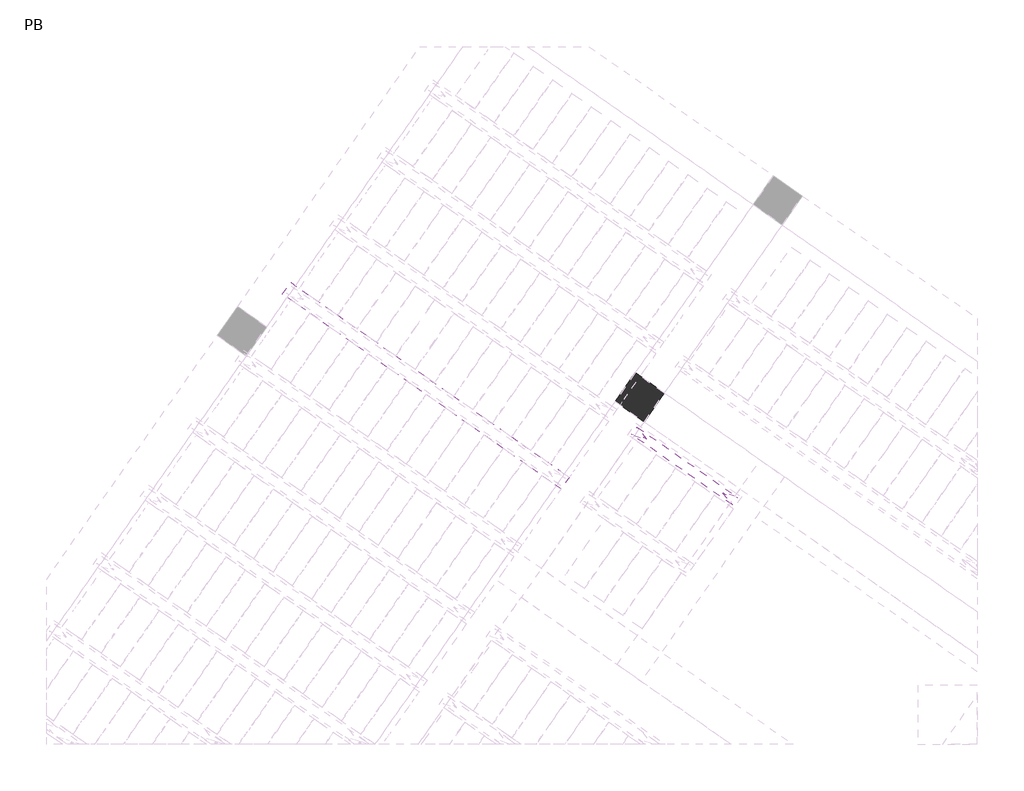
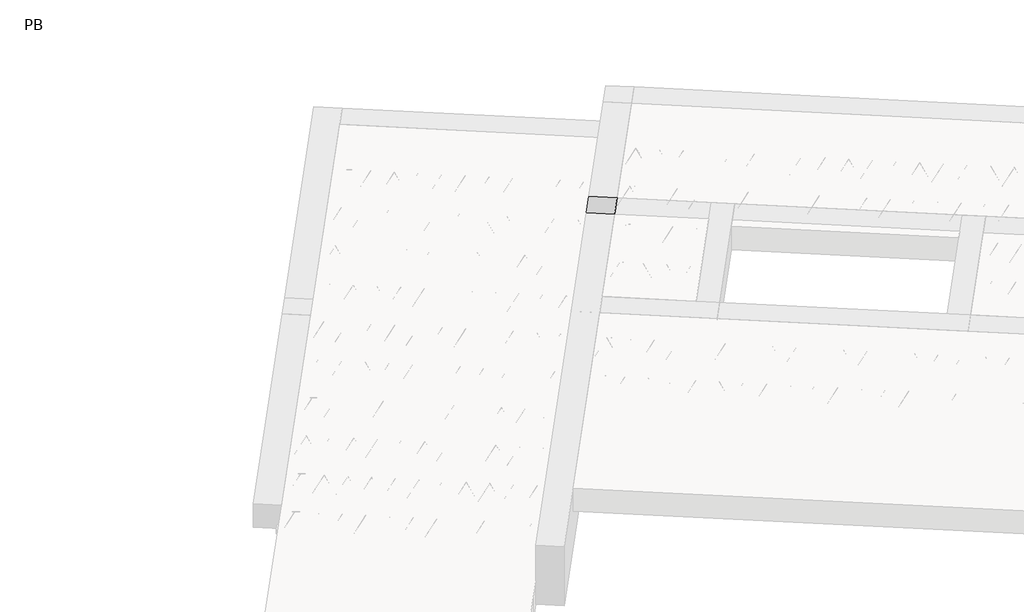
# One storey, part 41 of 56: 3 beams, 1 column.
"""IFC4 building model written with IfcOpenShell, lengths in millimetres."""

from ifc_helpers import new_model, si_unit, point, frame, origin, origin_2d, place, context, project, spatial, polyline, circle_curve, trimmed, segment, composite_curve, outline, extrude, element, save

model = new_model("IFC4")

# Units and contexts
model_context = context("Model", 3, world=origin())
ifc_project = project(units=[si_unit("LENGTHUNIT", "METRE", prefix="MILLI")], contexts=[model_context])

# Site, building, storey
site = spatial("IfcSite", under=ifc_project)
building = spatial("IfcBuilding", under=site)
storey = spatial("IfcBuildingStorey", under=building, Name="PB", Elevation=95940.0)

# Beams
placement = place(None, origin())
element("IfcBeam", 1, at=placement, inside=storey, context=model_context, shape_type="SweptSolid", body=[
    extrude(outline(polyline([(2800.6463897, 8403.6870499), (2869.475562, 8501.9852952), (5232.259621, 6847.5460859), (5163.4304487, 6749.2478406), (2800.6463897, 8403.6870499)])), frame((0.0, 0.0, 98760.0), z_axis=(0.0, 0.0, 1.0), x_axis=(1.0, 0.0, 0.0)), (0.0, 0.0, 1.0), 50.0),
    extrude(outline(composite_curve([segment(trimmed(circle_curve(origin_2d(), 2.5), [point((-2.5, 0.0))], [point((2.5, 0.0))], False, "CARTESIAN"), True, "CONTINUOUS"), segment(trimmed(circle_curve(origin_2d(), 2.5), [point((2.5, 0.0))], [point((-2.5, 0.0))], False, "CARTESIAN"), True, "CONTINUOUS")], self_intersect=False)), frame((5157.5366341, 6782.6733241, 98785.0), z_axis=(-0.8191520442696126, 0.5735764363787226, 0.0), x_axis=(0.5735764363787226, 0.8191520442696126, 0.0)), (0.0, 0.0, 1.0), 2836.426738),
    extrude(outline(composite_curve([segment(trimmed(circle_curve(origin_2d(), 2.5), [point((-2.5, 0.0))], [point((2.5, 0.0))], False, "CARTESIAN"), True, "CONTINUOUS"), segment(trimmed(circle_curve(origin_2d(), 2.5), [point((2.5, 0.0))], [point((-2.5, 0.0))], False, "CARTESIAN"), True, "CONTINUOUS")], self_intersect=False)), frame((5081.3506627, 6879.9672007, 99010.0), z_axis=(-0.8191520442696126, 0.5735764363787226, 0.0), x_axis=(0.5735764363787226, 0.8191520442696126, 0.0)), (0.0, 0.0, 1.0), 2600.0),
    extrude(outline(composite_curve([segment(trimmed(circle_curve(origin_2d(), 2.5), [point((-2.5, 0.0))], [point((2.5, 0.0))], False, "CARTESIAN"), True, "CONTINUOUS"), segment(trimmed(circle_curve(origin_2d(), 2.5), [point((2.5, 0.0))], [point((-2.5, 0.0))], False, "CARTESIAN"), True, "CONTINUOUS")], self_intersect=False)), frame((5122.1383143, 6807.4594944, 98785.0), z_axis=(-0.3145304735701046, 0.38933448886848654, 0.8657304643902053), x_axis=(0.7778747638402499, 0.6284193279813057, 0.0)), (0.0, 0.0, 1.0), 259.8961331),
    extrude(outline(composite_curve([segment(trimmed(circle_curve(origin_2d(), 2.5), [point((2.5, 0.0))], [point((-2.5, 0.0))], False, "CARTESIAN"), True, "CONTINUOUS"), segment(trimmed(circle_curve(origin_2d(), 2.5), [point((-2.5, 0.0))], [point((2.5, 0.0))], False, "CARTESIAN"), True, "CONTINUOUS")], self_intersect=False)), frame((4917.3503033, 6950.8536035, 98785.0), z_axis=(0.47343050384693375, -0.16240172737369005, 0.8657304643902051), x_axis=(-0.3244721671091268, -0.9458952440791246, 0.0)), (0.0, 0.0, 1.0), 259.8961331),
    extrude(outline(composite_curve([segment(trimmed(circle_curve(origin_2d(), 2.5), [point((-2.5, 0.0))], [point((2.5, 0.0))], False, "CARTESIAN"), True, "CONTINUOUS"), segment(trimmed(circle_curve(origin_2d(), 2.5), [point((2.5, 0.0))], [point((-2.5, 0.0))], False, "CARTESIAN"), True, "CONTINUOUS")], self_intersect=False)), frame((4917.3503033, 6950.8536035, 98785.0), z_axis=(-0.3145304735701046, 0.38933448886848654, 0.8657304643902053), x_axis=(0.7778747638402499, 0.6284193279813057, 0.0)), (0.0, 0.0, 1.0), 259.8961331),
    extrude(outline(composite_curve([segment(trimmed(circle_curve(origin_2d(), 2.5), [point((2.5, 0.0))], [point((-2.5, 0.0))], False, "CARTESIAN"), True, "CONTINUOUS"), segment(trimmed(circle_curve(origin_2d(), 2.5), [point((-2.5, 0.0))], [point((2.5, 0.0))], False, "CARTESIAN"), True, "CONTINUOUS")], self_intersect=False)), frame((4712.5622922, 7094.2477126, 98785.0), z_axis=(0.47343050384693375, -0.16240172737369005, 0.8657304643902051), x_axis=(-0.3244721671091268, -0.9458952440791246, 0.0)), (0.0, 0.0, 1.0), 259.8961331),
    extrude(outline(composite_curve([segment(trimmed(circle_curve(origin_2d(), 2.5), [point((-2.5, 0.0))], [point((2.5, 0.0))], False, "CARTESIAN"), True, "CONTINUOUS"), segment(trimmed(circle_curve(origin_2d(), 2.5), [point((2.5, 0.0))], [point((-2.5, 0.0))], False, "CARTESIAN"), True, "CONTINUOUS")], self_intersect=False)), frame((4712.5622922, 7094.2477126, 98785.0), z_axis=(-0.3145304735701046, 0.38933448886848654, 0.8657304643902053), x_axis=(0.7778747638402499, 0.6284193279813057, 0.0)), (0.0, 0.0, 1.0), 259.8961331),
    extrude(outline(composite_curve([segment(trimmed(circle_curve(origin_2d(), 2.5), [point((2.5, 0.0))], [point((-2.5, 1e-07))], False, "CARTESIAN"), True, "CONTINUOUS"), segment(trimmed(circle_curve(origin_2d(), 2.5), [point((-2.5, 1e-07))], [point((2.5, 0.0))], False, "CARTESIAN"), True, "CONTINUOUS")], self_intersect=False)), frame((4507.7742811, 7237.6418217, 98785.0), z_axis=(0.47343050384693375, -0.16240172737369005, 0.8657304643902051), x_axis=(-0.3244721671091268, -0.9458952440791246, 0.0)), (0.0, 0.0, 1.0), 259.8961331),
    extrude(outline(composite_curve([segment(trimmed(circle_curve(origin_2d(), 2.5), [point((-2.5, 0.0))], [point((2.5000001, -1e-07))], False, "CARTESIAN"), True, "CONTINUOUS"), segment(trimmed(circle_curve(origin_2d(), 2.5), [point((2.5000001, -1e-07))], [point((-2.5, 0.0))], False, "CARTESIAN"), True, "CONTINUOUS")], self_intersect=False)), frame((4507.7742811, 7237.6418217, 98785.0), z_axis=(-0.3145304735701046, 0.38933448886848654, 0.8657304643902053), x_axis=(0.7778747638402499, 0.6284193279813057, 0.0)), (0.0, 0.0, 1.0), 259.8961331),
    extrude(outline(composite_curve([segment(trimmed(circle_curve(origin_2d(), 2.5), [point((2.5, 0.0))], [point((-2.5, 0.0))], False, "CARTESIAN"), True, "CONTINUOUS"), segment(trimmed(circle_curve(origin_2d(), 2.5), [point((-2.5, 0.0))], [point((2.5, 0.0))], False, "CARTESIAN"), True, "CONTINUOUS")], self_intersect=False)), frame((4302.9862701, 7381.0359308, 98785.0), z_axis=(0.47343050384693375, -0.16240172737369005, 0.8657304643902051), x_axis=(-0.3244721671091268, -0.9458952440791246, 0.0)), (0.0, 0.0, 1.0), 259.8961331),
    extrude(outline(composite_curve([segment(trimmed(circle_curve(origin_2d(), 2.5), [point((-2.5, -1e-07))], [point((2.5, 0.0))], False, "CARTESIAN"), True, "CONTINUOUS"), segment(trimmed(circle_curve(origin_2d(), 2.5), [point((2.5, 0.0))], [point((-2.5, -1e-07))], False, "CARTESIAN"), True, "CONTINUOUS")], self_intersect=False)), frame((4302.9862702, 7381.0359307, 98785.0), z_axis=(-0.3145304735701046, 0.38933448886848654, 0.8657304643902053), x_axis=(0.7778747638402499, 0.6284193279813057, 0.0)), (0.0, 0.0, 1.0), 259.8961331),
    extrude(outline(composite_curve([segment(trimmed(circle_curve(origin_2d(), 2.5), [point((2.5000001, 0.0))], [point((-2.5, 0.0))], False, "CARTESIAN"), True, "CONTINUOUS"), segment(trimmed(circle_curve(origin_2d(), 2.5), [point((-2.5, 0.0))], [point((2.5000001, 0.0))], False, "CARTESIAN"), True, "CONTINUOUS")], self_intersect=False)), frame((4098.1982592, 7524.4300398, 98785.0), z_axis=(0.47343050384693375, -0.16240172737369005, 0.8657304643902051), x_axis=(-0.3244721671091268, -0.9458952440791246, 0.0)), (0.0, 0.0, 1.0), 259.8961331),
    extrude(outline(composite_curve([segment(trimmed(circle_curve(origin_2d(), 2.5), [point((-2.5, -1e-07))], [point((2.5, 0.0))], False, "CARTESIAN"), True, "CONTINUOUS"), segment(trimmed(circle_curve(origin_2d(), 2.5), [point((2.5, 0.0))], [point((-2.5, -1e-07))], False, "CARTESIAN"), True, "CONTINUOUS")], self_intersect=False)), frame((4098.1982592, 7524.4300398, 98785.0), z_axis=(-0.3145304735701046, 0.38933448886848654, 0.8657304643902053), x_axis=(0.7778747638402499, 0.6284193279813057, 0.0)), (0.0, 0.0, 1.0), 259.8961331),
    extrude(outline(composite_curve([segment(trimmed(circle_curve(origin_2d(), 2.5), [point((2.5000001, 0.0))], [point((-2.5, 0.0))], False, "CARTESIAN"), True, "CONTINUOUS"), segment(trimmed(circle_curve(origin_2d(), 2.5), [point((-2.5, 0.0))], [point((2.5000001, 0.0))], False, "CARTESIAN"), True, "CONTINUOUS")], self_intersect=False)), frame((3893.4102481, 7667.8241489, 98785.0), z_axis=(0.47343050384693375, -0.16240172737369005, 0.8657304643902051), x_axis=(-0.3244721671091268, -0.9458952440791246, 0.0)), (0.0, 0.0, 1.0), 259.8961331),
    extrude(outline(composite_curve([segment(trimmed(circle_curve(origin_2d(), 2.5), [point((-2.5, -1e-07))], [point((2.5, 0.0))], False, "CARTESIAN"), True, "CONTINUOUS"), segment(trimmed(circle_curve(origin_2d(), 2.5), [point((2.5, 0.0))], [point((-2.5, -1e-07))], False, "CARTESIAN"), True, "CONTINUOUS")], self_intersect=False)), frame((3893.4102481, 7667.8241489, 98785.0), z_axis=(-0.3145304735701046, 0.38933448886848654, 0.8657304643902053), x_axis=(0.7778747638402499, 0.6284193279813057, 0.0)), (0.0, 0.0, 1.0), 259.8961331),
    extrude(outline(composite_curve([segment(trimmed(circle_curve(origin_2d(), 2.5), [point((2.5, 0.0))], [point((-2.5000001, 0.0))], False, "CARTESIAN"), True, "CONTINUOUS"), segment(trimmed(circle_curve(origin_2d(), 2.5), [point((-2.5000001, 0.0))], [point((2.5, 0.0))], False, "CARTESIAN"), True, "CONTINUOUS")], self_intersect=False)), frame((3688.622237, 7811.2182579, 98785.0), z_axis=(0.47343050384693375, -0.16240172737369005, 0.8657304643902051), x_axis=(-0.3244721671091268, -0.9458952440791246, 0.0)), (0.0, 0.0, 1.0), 259.8961331),
    extrude(outline(composite_curve([segment(trimmed(circle_curve(origin_2d(), 2.5), [point((-2.5, 0.0))], [point((2.5, 1e-07))], False, "CARTESIAN"), True, "CONTINUOUS"), segment(trimmed(circle_curve(origin_2d(), 2.5), [point((2.5, 1e-07))], [point((-2.5, 0.0))], False, "CARTESIAN"), True, "CONTINUOUS")], self_intersect=False)), frame((3688.622237, 7811.2182579, 98785.0), z_axis=(-0.3145304735701046, 0.38933448886848654, 0.8657304643902053), x_axis=(0.7778747638402499, 0.6284193279813057, 0.0)), (0.0, 0.0, 1.0), 259.8961331),
    extrude(outline(composite_curve([segment(trimmed(circle_curve(origin_2d(), 2.5), [point((2.5, 0.0))], [point((-2.5000001, 0.0))], False, "CARTESIAN"), True, "CONTINUOUS"), segment(trimmed(circle_curve(origin_2d(), 2.5), [point((-2.5000001, 0.0))], [point((2.5, 0.0))], False, "CARTESIAN"), True, "CONTINUOUS")], self_intersect=False)), frame((3483.834226, 7954.612367, 98785.0), z_axis=(0.47343050384693375, -0.16240172737369005, 0.8657304643902051), x_axis=(-0.3244721671091268, -0.9458952440791246, 0.0)), (0.0, 0.0, 1.0), 259.8961331),
    extrude(outline(composite_curve([segment(trimmed(circle_curve(origin_2d(), 2.5), [point((-2.5, 0.0))], [point((2.5, 1e-07))], False, "CARTESIAN"), True, "CONTINUOUS"), segment(trimmed(circle_curve(origin_2d(), 2.5), [point((2.5, 1e-07))], [point((-2.5, 0.0))], False, "CARTESIAN"), True, "CONTINUOUS")], self_intersect=False)), frame((3483.834226, 7954.612367, 98785.0), z_axis=(-0.3145304735701046, 0.38933448886848654, 0.8657304643902053), x_axis=(0.7778747638402499, 0.6284193279813057, 0.0)), (0.0, 0.0, 1.0), 259.8961331),
    extrude(outline(composite_curve([segment(trimmed(circle_curve(origin_2d(), 2.5), [point((2.5, 0.0))], [point((-2.5, 0.0))], False, "CARTESIAN"), True, "CONTINUOUS"), segment(trimmed(circle_curve(origin_2d(), 2.5), [point((-2.5, 0.0))], [point((2.5, 0.0))], False, "CARTESIAN"), True, "CONTINUOUS")], self_intersect=False)), frame((3279.0462149, 8098.0064761, 98785.0), z_axis=(0.47343050384693375, -0.16240172737369005, 0.8657304643902051), x_axis=(-0.3244721671091268, -0.9458952440791246, 0.0)), (0.0, 0.0, 1.0), 259.8961331),
    extrude(outline(composite_curve([segment(trimmed(circle_curve(origin_2d(), 2.5), [point((-2.5, 0.0))], [point((2.5, 1e-07))], False, "CARTESIAN"), True, "CONTINUOUS"), segment(trimmed(circle_curve(origin_2d(), 2.5), [point((2.5, 1e-07))], [point((-2.5, 0.0))], False, "CARTESIAN"), True, "CONTINUOUS")], self_intersect=False)), frame((3279.0462149, 8098.0064761, 98785.0), z_axis=(-0.3145304735701046, 0.38933448886848654, 0.8657304643902053), x_axis=(0.7778747638402499, 0.6284193279813057, 0.0)), (0.0, 0.0, 1.0), 259.8961331),
    extrude(outline(composite_curve([segment(trimmed(circle_curve(origin_2d(), 2.5), [point((2.5, 0.0))], [point((-2.5, 1e-07))], False, "CARTESIAN"), True, "CONTINUOUS"), segment(trimmed(circle_curve(origin_2d(), 2.5), [point((-2.5, 1e-07))], [point((2.5, 0.0))], False, "CARTESIAN"), True, "CONTINUOUS")], self_intersect=False)), frame((3074.2582038, 8241.4005852, 98785.0), z_axis=(0.47343050384693375, -0.16240172737369005, 0.8657304643902051), x_axis=(-0.3244721671091268, -0.9458952440791246, 0.0)), (0.0, 0.0, 1.0), 259.8961331),
    extrude(outline(composite_curve([segment(trimmed(circle_curve(origin_2d(), 2.5), [point((-2.5, 0.0))], [point((2.5, 1e-07))], False, "CARTESIAN"), True, "CONTINUOUS"), segment(trimmed(circle_curve(origin_2d(), 2.5), [point((2.5, 1e-07))], [point((-2.5, 0.0))], False, "CARTESIAN"), True, "CONTINUOUS")], self_intersect=False)), frame((3074.2582038, 8241.4005852, 98785.0), z_axis=(-0.3145304735701046, 0.38933448886848654, 0.8657304643902053), x_axis=(0.7778747638402499, 0.6284193279813057, 0.0)), (0.0, 0.0, 1.0), 259.8961331),
    extrude(outline(composite_curve([segment(trimmed(circle_curve(origin_2d(), 2.5), [point((2.5, 0.0))], [point((-2.5, 0.0))], False, "CARTESIAN"), True, "CONTINUOUS"), segment(trimmed(circle_curve(origin_2d(), 2.5), [point((-2.5, 0.0))], [point((2.5, 0.0))], False, "CARTESIAN"), True, "CONTINUOUS")], self_intersect=False)), frame((2869.4701928, 8384.7946943, 98785.0), z_axis=(0.47343050384693375, -0.16240172737369005, 0.8657304643902051), x_axis=(-0.3244721671091268, -0.9458952440791246, 0.0)), (0.0, 0.0, 1.0), 259.8961331),
    extrude(outline(composite_curve([segment(trimmed(circle_curve(origin_2d(), 2.5), [point((-2.5, 0.0))], [point((2.5, 0.0))], False, "CARTESIAN"), True, "CONTINUOUS"), segment(trimmed(circle_curve(origin_2d(), 2.5), [point((2.5, 0.0))], [point((-2.5, 0.0))], False, "CARTESIAN"), True, "CONTINUOUS")], self_intersect=False)), frame((5198.8341375, 6841.6522713, 98785.0), z_axis=(-0.8191520442696126, 0.5735764363787226, 0.0), x_axis=(0.5735764363787226, 0.8191520442696126, 0.0)), (0.0, 0.0, 1.0), 2836.426738),
    extrude(outline(composite_curve([segment(trimmed(circle_curve(origin_2d(), 2.5), [point((-2.5, 1e-07))], [point((2.5, 0.0))], False, "CARTESIAN"), True, "CONTINUOUS"), segment(trimmed(circle_curve(origin_2d(), 2.5), [point((2.5, 0.0))], [point((-2.5, 1e-07))], False, "CARTESIAN"), True, "CONTINUOUS")], self_intersect=False)), frame((5163.4358178, 6866.4384416, 98785.0), z_axis=(-0.47343050384693375, 0.16240172737369005, 0.8657304643902051), x_axis=(0.3244721671091268, 0.9458952440791246, 0.0)), (0.0, 0.0, 1.0), 259.8961331),
    extrude(outline(composite_curve([segment(trimmed(circle_curve(origin_2d(), 2.5), [point((2.5, 0.0))], [point((-2.5, 0.0))], False, "CARTESIAN"), True, "CONTINUOUS"), segment(trimmed(circle_curve(origin_2d(), 2.5), [point((-2.5, 0.0))], [point((2.5, 0.0))], False, "CARTESIAN"), True, "CONTINUOUS")], self_intersect=False)), frame((4958.6478067, 7009.8325507, 98785.0), z_axis=(0.3145304735701046, -0.38933448886848654, 0.8657304643902053), x_axis=(-0.7778747638402499, -0.6284193279813057, 0.0)), (0.0, 0.0, 1.0), 259.8961331),
    extrude(outline(composite_curve([segment(trimmed(circle_curve(origin_2d(), 2.5), [point((-2.5, 0.0))], [point((2.5, 0.0))], False, "CARTESIAN"), True, "CONTINUOUS"), segment(trimmed(circle_curve(origin_2d(), 2.5), [point((2.5, 0.0))], [point((-2.5, 0.0))], False, "CARTESIAN"), True, "CONTINUOUS")], self_intersect=False)), frame((4958.6478067, 7009.8325507, 98785.0), z_axis=(-0.47343050384693375, 0.16240172737369005, 0.8657304643902051), x_axis=(0.3244721671091268, 0.9458952440791246, 0.0)), (0.0, 0.0, 1.0), 259.8961331),
    extrude(outline(composite_curve([segment(trimmed(circle_curve(origin_2d(), 2.5), [point((2.5, 0.0))], [point((-2.5, 0.0))], False, "CARTESIAN"), True, "CONTINUOUS"), segment(trimmed(circle_curve(origin_2d(), 2.5), [point((-2.5, 0.0))], [point((2.5, 0.0))], False, "CARTESIAN"), True, "CONTINUOUS")], self_intersect=False)), frame((4753.8597956, 7153.2266598, 98785.0), z_axis=(0.3145304735701046, -0.38933448886848654, 0.8657304643902053), x_axis=(-0.7778747638402499, -0.6284193279813057, 0.0)), (0.0, 0.0, 1.0), 259.8961331),
    extrude(outline(composite_curve([segment(trimmed(circle_curve(origin_2d(), 2.5), [point((-2.5, 0.0))], [point((2.5, 0.0))], False, "CARTESIAN"), True, "CONTINUOUS"), segment(trimmed(circle_curve(origin_2d(), 2.5), [point((2.5, 0.0))], [point((-2.5, 0.0))], False, "CARTESIAN"), True, "CONTINUOUS")], self_intersect=False)), frame((4753.8597956, 7153.2266598, 98785.0), z_axis=(-0.47343050384693375, 0.16240172737369005, 0.8657304643902051), x_axis=(0.3244721671091268, 0.9458952440791246, 0.0)), (0.0, 0.0, 1.0), 259.8961331),
    extrude(outline(composite_curve([segment(trimmed(circle_curve(origin_2d(), 2.5), [point((2.5, 0.0))], [point((-2.5, 0.0))], False, "CARTESIAN"), True, "CONTINUOUS"), segment(trimmed(circle_curve(origin_2d(), 2.5), [point((-2.5, 0.0))], [point((2.5, 0.0))], False, "CARTESIAN"), True, "CONTINUOUS")], self_intersect=False)), frame((4549.0717846, 7296.6207689, 98785.0), z_axis=(0.3145304735701046, -0.38933448886848654, 0.8657304643902053), x_axis=(-0.7778747638402499, -0.6284193279813057, 0.0)), (0.0, 0.0, 1.0), 259.8961331),
    extrude(outline(composite_curve([segment(trimmed(circle_curve(origin_2d(), 2.5), [point((-2.5, 1e-07))], [point((2.5, 0.0))], False, "CARTESIAN"), True, "CONTINUOUS"), segment(trimmed(circle_curve(origin_2d(), 2.5), [point((2.5, 0.0))], [point((-2.5, 1e-07))], False, "CARTESIAN"), True, "CONTINUOUS")], self_intersect=False)), frame((4549.0717846, 7296.6207689, 98785.0), z_axis=(-0.47343050384693375, 0.16240172737369005, 0.8657304643902051), x_axis=(0.3244721671091268, 0.9458952440791246, 0.0)), (0.0, 0.0, 1.0), 259.8961331),
    extrude(outline(composite_curve([segment(trimmed(circle_curve(origin_2d(), 2.5), [point((2.5, 1e-07))], [point((-2.5, 0.0))], False, "CARTESIAN"), True, "CONTINUOUS"), segment(trimmed(circle_curve(origin_2d(), 2.5), [point((-2.5, 0.0))], [point((2.5, 1e-07))], False, "CARTESIAN"), True, "CONTINUOUS")], self_intersect=False)), frame((4344.2837735, 7440.014878, 98785.0), z_axis=(0.3145304735701046, -0.38933448886848654, 0.8657304643902053), x_axis=(-0.7778747638402499, -0.6284193279813057, 0.0)), (0.0, 0.0, 1.0), 259.8961331),
    extrude(outline(composite_curve([segment(trimmed(circle_curve(origin_2d(), 2.5), [point((-2.5000001, 0.0))], [point((2.5, 0.0))], False, "CARTESIAN"), True, "CONTINUOUS"), segment(trimmed(circle_curve(origin_2d(), 2.5), [point((2.5, 0.0))], [point((-2.5000001, 0.0))], False, "CARTESIAN"), True, "CONTINUOUS")], self_intersect=False)), frame((4344.2837737, 7440.0148779, 98785.0), z_axis=(-0.47343050384693375, 0.16240172737369005, 0.8657304643902051), x_axis=(0.3244721671091268, 0.9458952440791246, 0.0)), (0.0, 0.0, 1.0), 259.8961331),
    extrude(outline(composite_curve([segment(trimmed(circle_curve(origin_2d(), 2.5), [point((2.5, 0.0))], [point((-2.5, -1e-07))], False, "CARTESIAN"), True, "CONTINUOUS"), segment(trimmed(circle_curve(origin_2d(), 2.5), [point((-2.5, -1e-07))], [point((2.5, 0.0))], False, "CARTESIAN"), True, "CONTINUOUS")], self_intersect=False)), frame((4139.4957626, 7583.4089869, 98785.0), z_axis=(0.3145304735701046, -0.38933448886848654, 0.8657304643902053), x_axis=(-0.7778747638402499, -0.6284193279813057, 0.0)), (0.0, 0.0, 1.0), 259.8961331),
    extrude(outline(composite_curve([segment(trimmed(circle_curve(origin_2d(), 2.5), [point((-2.5, 0.0))], [point((2.5000001, 0.0))], False, "CARTESIAN"), True, "CONTINUOUS"), segment(trimmed(circle_curve(origin_2d(), 2.5), [point((2.5000001, 0.0))], [point((-2.5, 0.0))], False, "CARTESIAN"), True, "CONTINUOUS")], self_intersect=False)), frame((4139.4957626, 7583.4089869, 98785.0), z_axis=(-0.47343050384693375, 0.16240172737369005, 0.8657304643902051), x_axis=(0.3244721671091268, 0.9458952440791246, 0.0)), (0.0, 0.0, 1.0), 259.8961331),
    extrude(outline(composite_curve([segment(trimmed(circle_curve(origin_2d(), 2.5), [point((2.5, 0.0))], [point((-2.5, -1e-07))], False, "CARTESIAN"), True, "CONTINUOUS"), segment(trimmed(circle_curve(origin_2d(), 2.5), [point((-2.5, -1e-07))], [point((2.5, 0.0))], False, "CARTESIAN"), True, "CONTINUOUS")], self_intersect=False)), frame((3934.7077515, 7726.803096, 98785.0), z_axis=(0.3145304735701046, -0.38933448886848654, 0.8657304643902053), x_axis=(-0.7778747638402499, -0.6284193279813057, 0.0)), (0.0, 0.0, 1.0), 259.8961331),
    extrude(outline(composite_curve([segment(trimmed(circle_curve(origin_2d(), 2.5), [point((-2.5, 0.0))], [point((2.5000001, 0.0))], False, "CARTESIAN"), True, "CONTINUOUS"), segment(trimmed(circle_curve(origin_2d(), 2.5), [point((2.5000001, 0.0))], [point((-2.5, 0.0))], False, "CARTESIAN"), True, "CONTINUOUS")], self_intersect=False)), frame((3934.7077515, 7726.803096, 98785.0), z_axis=(-0.47343050384693375, 0.16240172737369005, 0.8657304643902051), x_axis=(0.3244721671091268, 0.9458952440791246, 0.0)), (0.0, 0.0, 1.0), 259.8961331),
    extrude(outline(composite_curve([segment(trimmed(circle_curve(origin_2d(), 2.5), [point((2.5000001, -1e-07))], [point((-2.5, -1e-07))], False, "CARTESIAN"), True, "CONTINUOUS"), segment(trimmed(circle_curve(origin_2d(), 2.5), [point((-2.5, -1e-07))], [point((2.5000001, -1e-07))], False, "CARTESIAN"), True, "CONTINUOUS")], self_intersect=False)), frame((3729.9197405, 7870.1972051, 98785.0), z_axis=(0.3145304735701046, -0.38933448886848654, 0.8657304643902053), x_axis=(-0.7778747638402499, -0.6284193279813057, 0.0)), (0.0, 0.0, 1.0), 259.8961331),
    extrude(outline(composite_curve([segment(trimmed(circle_curve(origin_2d(), 2.5), [point((-2.5, 1e-07))], [point((2.5, 0.0))], False, "CARTESIAN"), True, "CONTINUOUS"), segment(trimmed(circle_curve(origin_2d(), 2.5), [point((2.5, 0.0))], [point((-2.5, 1e-07))], False, "CARTESIAN"), True, "CONTINUOUS")], self_intersect=False)), frame((3729.9197405, 7870.1972051, 98785.0), z_axis=(-0.47343050384693375, 0.16240172737369005, 0.8657304643902051), x_axis=(0.3244721671091268, 0.9458952440791246, 0.0)), (0.0, 0.0, 1.0), 259.8961331),
    extrude(outline(composite_curve([segment(trimmed(circle_curve(origin_2d(), 2.5), [point((2.5, 0.0))], [point((-2.5, -1e-07))], False, "CARTESIAN"), True, "CONTINUOUS"), segment(trimmed(circle_curve(origin_2d(), 2.5), [point((-2.5, -1e-07))], [point((2.5, 0.0))], False, "CARTESIAN"), True, "CONTINUOUS")], self_intersect=False)), frame((3525.1317294, 8013.5913142, 98785.0), z_axis=(0.3145304735701046, -0.38933448886848654, 0.8657304643902053), x_axis=(-0.7778747638402499, -0.6284193279813057, 0.0)), (0.0, 0.0, 1.0), 259.8961331),
    extrude(outline(composite_curve([segment(trimmed(circle_curve(origin_2d(), 2.5), [point((-2.5, 0.0))], [point((2.5, 0.0))], False, "CARTESIAN"), True, "CONTINUOUS"), segment(trimmed(circle_curve(origin_2d(), 2.5), [point((2.5, 0.0))], [point((-2.5, 0.0))], False, "CARTESIAN"), True, "CONTINUOUS")], self_intersect=False)), frame((3525.1317294, 8013.5913142, 98785.0), z_axis=(-0.47343050384693375, 0.16240172737369005, 0.8657304643902051), x_axis=(0.3244721671091268, 0.9458952440791246, 0.0)), (0.0, 0.0, 1.0), 259.8961331),
    extrude(outline(composite_curve([segment(trimmed(circle_curve(origin_2d(), 2.5), [point((2.5, 0.0))], [point((-2.5, 0.0))], False, "CARTESIAN"), True, "CONTINUOUS"), segment(trimmed(circle_curve(origin_2d(), 2.5), [point((-2.5, 0.0))], [point((2.5, 0.0))], False, "CARTESIAN"), True, "CONTINUOUS")], self_intersect=False)), frame((3320.3437183, 8156.9854233, 98785.0), z_axis=(0.3145304735701046, -0.38933448886848654, 0.8657304643902053), x_axis=(-0.7778747638402499, -0.6284193279813057, 0.0)), (0.0, 0.0, 1.0), 259.8961331),
    extrude(outline(composite_curve([segment(trimmed(circle_curve(origin_2d(), 2.5), [point((-2.5, 0.0))], [point((2.5, 0.0))], False, "CARTESIAN"), True, "CONTINUOUS"), segment(trimmed(circle_curve(origin_2d(), 2.5), [point((2.5, 0.0))], [point((-2.5, 0.0))], False, "CARTESIAN"), True, "CONTINUOUS")], self_intersect=False)), frame((3320.3437183, 8156.9854233, 98785.0), z_axis=(-0.47343050384693375, 0.16240172737369005, 0.8657304643902051), x_axis=(0.3244721671091268, 0.9458952440791246, 0.0)), (0.0, 0.0, 1.0), 259.8961331),
    extrude(outline(composite_curve([segment(trimmed(circle_curve(origin_2d(), 2.5), [point((2.5000001, -1e-07))], [point((-2.5, 0.0))], False, "CARTESIAN"), True, "CONTINUOUS"), segment(trimmed(circle_curve(origin_2d(), 2.5), [point((-2.5, 0.0))], [point((2.5000001, -1e-07))], False, "CARTESIAN"), True, "CONTINUOUS")], self_intersect=False)), frame((3115.5557073, 8300.3795324, 98785.0), z_axis=(0.3145304735701046, -0.38933448886848654, 0.8657304643902053), x_axis=(-0.7778747638402499, -0.6284193279813057, 0.0)), (0.0, 0.0, 1.0), 259.8961331),
    extrude(outline(composite_curve([segment(trimmed(circle_curve(origin_2d(), 2.5), [point((-2.5, 1e-07))], [point((2.5, 0.0))], False, "CARTESIAN"), True, "CONTINUOUS"), segment(trimmed(circle_curve(origin_2d(), 2.5), [point((2.5, 0.0))], [point((-2.5, 1e-07))], False, "CARTESIAN"), True, "CONTINUOUS")], self_intersect=False)), frame((3115.5557073, 8300.3795324, 98785.0), z_axis=(-0.47343050384693375, 0.16240172737369005, 0.8657304643902051), x_axis=(0.3244721671091268, 0.9458952440791246, 0.0)), (0.0, 0.0, 1.0), 259.8961331),
    extrude(outline(composite_curve([segment(trimmed(circle_curve(origin_2d(), 2.5), [point((2.5, 0.0))], [point((-2.5, 0.0))], False, "CARTESIAN"), True, "CONTINUOUS"), segment(trimmed(circle_curve(origin_2d(), 2.5), [point((-2.5, 0.0))], [point((2.5, 0.0))], False, "CARTESIAN"), True, "CONTINUOUS")], self_intersect=False)), frame((2910.7676962, 8443.7736415, 98785.0), z_axis=(0.3145304735701046, -0.38933448886848654, 0.8657304643902053), x_axis=(-0.7778747638402499, -0.6284193279813057, 0.0)), (0.0, 0.0, 1.0), 259.8961331),
])
element("IfcBeam", 2, at=placement, inside=storey, context=model_context, shape_type="SweptSolid", body=[
    extrude(outline(polyline([(5728.764363, 7207.9389843), (5797.5935353, 7306.2372296), (6692.7092086, 6679.4704875), (6623.8800363, 6581.1722422), (5728.764363, 7207.9389843)])), frame((0.0, 0.0, 99220.0), z_axis=(0.0, 0.0, 1.0), x_axis=(1.0, 0.0, 0.0)), (0.0, 0.0, 1.0), 50.0),
])
element("IfcBeam", 3, at=placement, inside=storey, context=model_context, shape_type="SweptSolid", body=[
    extrude(outline(composite_curve([segment(trimmed(circle_curve(origin_2d(), 2.5), [point((-2.5, 0.0))], [point((2.5000001, 0.0))], False, "CARTESIAN"), True, "CONTINUOUS"), segment(trimmed(circle_curve(origin_2d(), 2.5), [point((2.5000001, 0.0))], [point((-2.5, 0.0))], False, "CARTESIAN"), True, "CONTINUOUS")], self_intersect=False)), frame((6617.9862217, 6614.5977257, 99245.0), z_axis=(-0.8191520442696126, 0.5735764363787226, 0.0), x_axis=(0.5735764363787226, 0.8191520442696126, 0.0)), (0.0, 0.0, 1.0), 1044.734468),
    extrude(outline(composite_curve([segment(trimmed(circle_curve(origin_2d(), 2.5), [point((-2.5, 0.0))], [point((2.5000001, 0.0))], False, "CARTESIAN"), True, "CONTINUOUS"), segment(trimmed(circle_curve(origin_2d(), 2.5), [point((2.5000001, 0.0))], [point((-2.5, 0.0))], False, "CARTESIAN"), True, "CONTINUOUS")], self_intersect=False)), frame((6558.8764045, 6699.9347505, 99470.0), z_axis=(-0.8191520442696126, 0.5735764363787226, 0.0), x_axis=(0.5735764363787226, 0.8191520442696126, 0.0)), (0.0, 0.0, 1.0), 850.0),
    extrude(outline(composite_curve([segment(trimmed(circle_curve(origin_2d(), 2.5), [point((-2.5, 0.0))], [point((2.5, 0.0))], False, "CARTESIAN"), True, "CONTINUOUS"), segment(trimmed(circle_curve(origin_2d(), 2.5), [point((2.5, 0.0))], [point((-2.5, 0.0))], False, "CARTESIAN"), True, "CONTINUOUS")], self_intersect=False)), frame((6599.6640561, 6627.4270442, 99245.0), z_axis=(-0.3145304735701046, 0.38933448886848654, 0.8657304643902053), x_axis=(0.7778747638402499, 0.6284193279813057, 0.0)), (0.0, 0.0, 1.0), 259.8961331),
    extrude(outline(composite_curve([segment(trimmed(circle_curve(origin_2d(), 2.5), [point((2.5, 0.0))], [point((-2.5, 0.0))], False, "CARTESIAN"), True, "CONTINUOUS"), segment(trimmed(circle_curve(origin_2d(), 2.5), [point((-2.5, 0.0))], [point((2.5, 0.0))], False, "CARTESIAN"), True, "CONTINUOUS")], self_intersect=False)), frame((6394.876045, 6770.8211533, 99245.0), z_axis=(0.47343050384693375, -0.16240172737369005, 0.8657304643902051), x_axis=(-0.3244721671091268, -0.9458952440791246, 0.0)), (0.0, 0.0, 1.0), 259.8961331),
    extrude(outline(composite_curve([segment(trimmed(circle_curve(origin_2d(), 2.5), [point((-2.5, 0.0))], [point((2.5, 0.0))], False, "CARTESIAN"), True, "CONTINUOUS"), segment(trimmed(circle_curve(origin_2d(), 2.5), [point((2.5, 0.0))], [point((-2.5, 0.0))], False, "CARTESIAN"), True, "CONTINUOUS")], self_intersect=False)), frame((6394.876045, 6770.8211533, 99245.0), z_axis=(-0.3145304735701046, 0.38933448886848654, 0.8657304643902053), x_axis=(0.7778747638402499, 0.6284193279813057, 0.0)), (0.0, 0.0, 1.0), 259.8961331),
    extrude(outline(composite_curve([segment(trimmed(circle_curve(origin_2d(), 2.5), [point((2.5, 0.0))], [point((-2.5, 1e-07))], False, "CARTESIAN"), True, "CONTINUOUS"), segment(trimmed(circle_curve(origin_2d(), 2.5), [point((-2.5, 1e-07))], [point((2.5, 0.0))], False, "CARTESIAN"), True, "CONTINUOUS")], self_intersect=False)), frame((6190.0880339, 6914.2152624, 99245.0), z_axis=(0.47343050384693375, -0.16240172737369005, 0.8657304643902051), x_axis=(-0.3244721671091268, -0.9458952440791246, 0.0)), (0.0, 0.0, 1.0), 259.8961331),
    extrude(outline(composite_curve([segment(trimmed(circle_curve(origin_2d(), 2.5), [point((-2.5, 0.0))], [point((2.5, 0.0))], False, "CARTESIAN"), True, "CONTINUOUS"), segment(trimmed(circle_curve(origin_2d(), 2.5), [point((2.5, 0.0))], [point((-2.5, 0.0))], False, "CARTESIAN"), True, "CONTINUOUS")], self_intersect=False)), frame((6190.0880339, 6914.2152624, 99245.0), z_axis=(-0.3145304735701046, 0.38933448886848654, 0.8657304643902053), x_axis=(0.7778747638402499, 0.6284193279813057, 0.0)), (0.0, 0.0, 1.0), 259.8961331),
    extrude(outline(composite_curve([segment(trimmed(circle_curve(origin_2d(), 2.5), [point((2.5, 0.0))], [point((-2.5, 0.0))], False, "CARTESIAN"), True, "CONTINUOUS"), segment(trimmed(circle_curve(origin_2d(), 2.5), [point((-2.5, 0.0))], [point((2.5, 0.0))], False, "CARTESIAN"), True, "CONTINUOUS")], self_intersect=False)), frame((5985.3000229, 7057.6093715, 99245.0), z_axis=(0.47343050384693375, -0.16240172737369005, 0.8657304643902051), x_axis=(-0.3244721671091268, -0.9458952440791246, 0.0)), (0.0, 0.0, 1.0), 259.8961331),
    extrude(outline(composite_curve([segment(trimmed(circle_curve(origin_2d(), 2.5), [point((-2.5, 0.0))], [point((2.5, 0.0))], False, "CARTESIAN"), True, "CONTINUOUS"), segment(trimmed(circle_curve(origin_2d(), 2.5), [point((2.5, 0.0))], [point((-2.5, 0.0))], False, "CARTESIAN"), True, "CONTINUOUS")], self_intersect=False)), frame((5985.3000229, 7057.6093715, 99245.0), z_axis=(-0.3145304735701046, 0.38933448886848654, 0.8657304643902053), x_axis=(0.7778747638402499, 0.6284193279813057, 0.0)), (0.0, 0.0, 1.0), 259.8961331),
    extrude(outline(composite_curve([segment(trimmed(circle_curve(origin_2d(), 2.5), [point((2.5, 0.0))], [point((-2.5, 0.0))], False, "CARTESIAN"), True, "CONTINUOUS"), segment(trimmed(circle_curve(origin_2d(), 2.5), [point((-2.5, 0.0))], [point((2.5, 0.0))], False, "CARTESIAN"), True, "CONTINUOUS")], self_intersect=False)), frame((5780.5120118, 7201.0034806, 99245.0), z_axis=(0.47343050384693375, -0.16240172737369005, 0.8657304643902051), x_axis=(-0.3244721671091268, -0.9458952440791246, 0.0)), (0.0, 0.0, 1.0), 259.8961331),
    extrude(outline(composite_curve([segment(trimmed(circle_curve(origin_2d(), 2.5), [point((-2.5, 0.0))], [point((2.5, 0.0))], False, "CARTESIAN"), True, "CONTINUOUS"), segment(trimmed(circle_curve(origin_2d(), 2.5), [point((2.5, 0.0))], [point((-2.5, 0.0))], False, "CARTESIAN"), True, "CONTINUOUS")], self_intersect=False)), frame((6659.2837251, 6673.5766729, 99245.0), z_axis=(-0.8191520442696126, 0.5735764363787226, 0.0), x_axis=(0.5735764363787226, 0.8191520442696126, 0.0)), (0.0, 0.0, 1.0), 1044.734468),
    extrude(outline(composite_curve([segment(trimmed(circle_curve(origin_2d(), 2.5), [point((-2.5, 0.0))], [point((2.5, 0.0))], False, "CARTESIAN"), True, "CONTINUOUS"), segment(trimmed(circle_curve(origin_2d(), 2.5), [point((2.5, 0.0))], [point((-2.5, 0.0))], False, "CARTESIAN"), True, "CONTINUOUS")], self_intersect=False)), frame((6640.9615595, 6686.4059914, 99245.0), z_axis=(-0.47343050384693375, 0.16240172737369005, 0.8657304643902051), x_axis=(0.3244721671091268, 0.9458952440791246, 0.0)), (0.0, 0.0, 1.0), 259.8961331),
    extrude(outline(composite_curve([segment(trimmed(circle_curve(origin_2d(), 2.5), [point((2.5, 0.0))], [point((-2.5, 0.0))], False, "CARTESIAN"), True, "CONTINUOUS"), segment(trimmed(circle_curve(origin_2d(), 2.5), [point((-2.5, 0.0))], [point((2.5, 0.0))], False, "CARTESIAN"), True, "CONTINUOUS")], self_intersect=False)), frame((6436.1735484, 6829.8001005, 99245.0), z_axis=(0.3145304735701046, -0.38933448886848654, 0.8657304643902053), x_axis=(-0.7778747638402499, -0.6284193279813057, 0.0)), (0.0, 0.0, 1.0), 259.8961331),
    extrude(outline(composite_curve([segment(trimmed(circle_curve(origin_2d(), 2.5), [point((-2.5, 0.0))], [point((2.5, 0.0))], False, "CARTESIAN"), True, "CONTINUOUS"), segment(trimmed(circle_curve(origin_2d(), 2.5), [point((2.5, 0.0))], [point((-2.5, 0.0))], False, "CARTESIAN"), True, "CONTINUOUS")], self_intersect=False)), frame((6436.1735484, 6829.8001005, 99245.0), z_axis=(-0.47343050384693375, 0.16240172737369005, 0.8657304643902051), x_axis=(0.3244721671091268, 0.9458952440791246, 0.0)), (0.0, 0.0, 1.0), 259.8961331),
    extrude(outline(composite_curve([segment(trimmed(circle_curve(origin_2d(), 2.5), [point((2.5000001, -1e-07))], [point((-2.5, 0.0))], False, "CARTESIAN"), True, "CONTINUOUS"), segment(trimmed(circle_curve(origin_2d(), 2.5), [point((-2.5, 0.0))], [point((2.5000001, -1e-07))], False, "CARTESIAN"), True, "CONTINUOUS")], self_intersect=False)), frame((6231.3855374, 6973.1942096, 99245.0), z_axis=(0.3145304735701046, -0.38933448886848654, 0.8657304643902053), x_axis=(-0.7778747638402499, -0.6284193279813057, 0.0)), (0.0, 0.0, 1.0), 259.8961331),
    extrude(outline(composite_curve([segment(trimmed(circle_curve(origin_2d(), 2.5), [point((-2.5, 1e-07))], [point((2.5, 0.0))], False, "CARTESIAN"), True, "CONTINUOUS"), segment(trimmed(circle_curve(origin_2d(), 2.5), [point((2.5, 0.0))], [point((-2.5, 1e-07))], False, "CARTESIAN"), True, "CONTINUOUS")], self_intersect=False)), frame((6231.3855374, 6973.1942096, 99245.0), z_axis=(-0.47343050384693375, 0.16240172737369005, 0.8657304643902051), x_axis=(0.3244721671091268, 0.9458952440791246, 0.0)), (0.0, 0.0, 1.0), 259.8961331),
    extrude(outline(composite_curve([segment(trimmed(circle_curve(origin_2d(), 2.5), [point((2.5, 0.0))], [point((-2.5, 0.0))], False, "CARTESIAN"), True, "CONTINUOUS"), segment(trimmed(circle_curve(origin_2d(), 2.5), [point((-2.5, 0.0))], [point((2.5, 0.0))], False, "CARTESIAN"), True, "CONTINUOUS")], self_intersect=False)), frame((6026.5975263, 7116.5883187, 99245.0), z_axis=(0.3145304735701046, -0.38933448886848654, 0.8657304643902053), x_axis=(-0.7778747638402499, -0.6284193279813057, 0.0)), (0.0, 0.0, 1.0), 259.8961331),
    extrude(outline(composite_curve([segment(trimmed(circle_curve(origin_2d(), 2.5), [point((-2.5, 0.0))], [point((2.5, 0.0))], False, "CARTESIAN"), True, "CONTINUOUS"), segment(trimmed(circle_curve(origin_2d(), 2.5), [point((2.5, 0.0))], [point((-2.5, 0.0))], False, "CARTESIAN"), True, "CONTINUOUS")], self_intersect=False)), frame((6026.5975263, 7116.5883187, 99245.0), z_axis=(-0.47343050384693375, 0.16240172737369005, 0.8657304643902051), x_axis=(0.3244721671091268, 0.9458952440791246, 0.0)), (0.0, 0.0, 1.0), 259.8961331),
    extrude(outline(composite_curve([segment(trimmed(circle_curve(origin_2d(), 2.5), [point((2.5, 0.0))], [point((-2.5, 0.0))], False, "CARTESIAN"), True, "CONTINUOUS"), segment(trimmed(circle_curve(origin_2d(), 2.5), [point((-2.5, 0.0))], [point((2.5, 0.0))], False, "CARTESIAN"), True, "CONTINUOUS")], self_intersect=False)), frame((5821.8095152, 7259.9824278, 99245.0), z_axis=(0.3145304735701046, -0.38933448886848654, 0.8657304643902053), x_axis=(-0.7778747638402499, -0.6284193279813057, 0.0)), (0.0, 0.0, 1.0), 259.8961331),
])

# Column
element("IfcColumn", 4, ObjectType="DirectShapeType 3937", at=placement, inside=storey, context=model_context, shape_type="SweptSolid", body=[
    extrude(outline(polyline([(6038.7109111, 7563.4161945), (5866.6379801, 7317.6705813), (5620.8923669, 7489.7435122), (5792.9652978, 7735.4891254), (6038.7109111, 7563.4161945)])), frame((0.0, 0.0, 95940.0), z_axis=(0.0, 0.0, 1.0), x_axis=(1.0, 0.0, 0.0)), (0.0, 0.0, 1.0), 3580.0),
])

save(model, "model.ifc")
